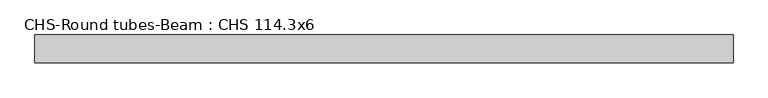
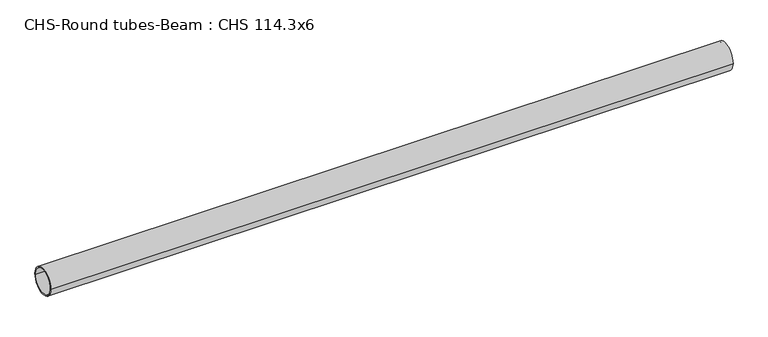
"""IFC4 building model written with IfcOpenShell, lengths in millimetres: beam geometry, CHS-Round tubes-Beam : CHS 114.3x6."""

from ifc_helpers import new_model, si_unit, point, frame, origin, origin_2d, place, context, project, spatial, circle_curve, trimmed, segment, composite_curve, outline, extrude, source, transform, mapped, element, save


def chs_round_tubes_beam_chs_114_3x6_0be0058b(model_context):
    return source(origin(), model_context, "Body", "SweptSolid", [
        extrude(outline(composite_curve([segment(trimmed(circle_curve(origin_2d(), 57.15), [point((57.15, 0.0))], [point((-57.15, 0.0))], False, "CARTESIAN"), True, "CONTINUOUS"), segment(trimmed(circle_curve(origin_2d(), 57.15), [point((-57.15, 0.0))], [point((57.15, 0.0))], False, "CARTESIAN"), True, "CONTINUOUS")], self_intersect=False), holes=[composite_curve([segment(trimmed(circle_curve(origin_2d(), 51.15), [point((51.15, 0.0))], [point((-51.15, 0.0))], True, "CARTESIAN"), True, "CONTINUOUS"), segment(trimmed(circle_curve(origin_2d(), 51.15), [point((-51.15, 0.0))], [point((51.15, 0.0))], True, "CARTESIAN"), True, "CONTINUOUS")], self_intersect=False)]), frame((-1409.1772024, 0.0, 0.0), z_axis=(1.0, 0.0, 0.0), x_axis=(0.0, 1.0, 0.0)), (0.0, 0.0, 1.0), 2845.7600628),
    ])


if __name__ == "__main__":
    model = new_model("IFC4")
    model_context = context("Model", 3, world=origin())
    ifc_project = project(units=[si_unit("LENGTHUNIT", "METRE", prefix="MILLI")], contexts=[model_context])
    site = spatial("IfcSite", under=ifc_project)
    building = spatial("IfcBuilding", under=site)
    placement = place(None, origin())
    chs_round_tubes_beam_chs_114_3x6_shape = chs_round_tubes_beam_chs_114_3x6_0be0058b(model_context)
    element("IfcBeam", 1, ObjectType="CHS-Round tubes-Beam : CHS 114.3x6", at=placement, inside=building, context=model_context, shape_type="MappedRepresentation", body=[
        mapped(chs_round_tubes_beam_chs_114_3x6_shape, transform((0.0, 0.0, 0.0), x_axis=(1.0, 0.0, 0.0), y_axis=(0.0, 1.0, 0.0), z_axis=(0.0, 0.0, 1.0))),
    ])
    save(model, "model.ifc")
